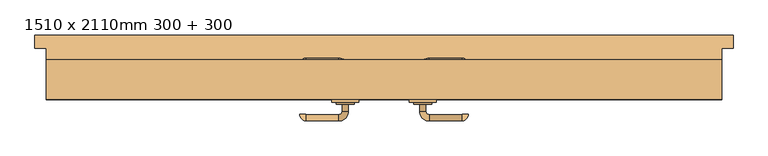
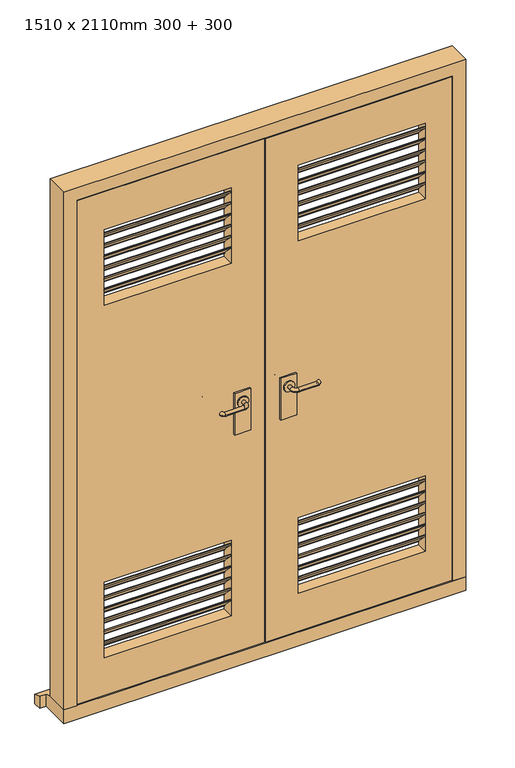
"""IFC4 building model written with IfcOpenShell, lengths in millimetres: door geometry, 1510 x 2110mm 300 + 300."""

from ifc_helpers import new_model, si_unit, point, frame, frame_2d, origin, place, context, project, spatial, polyline, circle_curve, ellipse_curve, trimmed, segment, composite_curve, outline, extrude, faceted_brep, source, transform, mapped, element, save
from ifc_brep_helpers import plane_surface, cylinder_surface, revolved_surface, advanced_brep


def door_1510_x_2110mm_300_300_bc1a640c(model_context):
    return source(origin(), model_context, "Body", "SolidModel", [
        extrude(outline(polyline([(-60.0, 1845.1), (-20.0, 1805.1), (-20.0, 1801.1), (-23.0, 1801.1), (-23.0, 1803.8573593), (-63.0, 1843.8573593), (-63.0, 1849.1), (-60.0, 1849.1), (-60.0, 1845.1)])), frame((126.5, 0.0, 0.0), z_axis=(1.0, 0.0, 0.0), x_axis=(0.0, 1.0, 0.0)), (0.0, 0.0, 1.0), 477.0),
        extrude(outline(polyline([(-60.0, 1845.1), (-20.0, 1805.1), (-20.0, 1801.1), (-23.0, 1801.1), (-23.0, 1803.8573593), (-63.0, 1843.8573593), (-63.0, 1849.1), (-60.0, 1849.1), (-60.0, 1845.1)])), frame((-603.5, 0.0, 0.0), z_axis=(1.0, 0.0, 0.0), x_axis=(0.0, 1.0, 0.0)), (0.0, 0.0, 1.0), 477.0),
        extrude(outline(composite_curve([segment(trimmed(circle_curve(frame_2d((1050.0, 86.5)), 20.0), [point((1050.0, 66.5))], [point((1050.0, 106.5))], False, "CARTESIAN"), True, "CONTINUOUS"), segment(trimmed(circle_curve(frame_2d((1050.0, 86.5)), 20.0), [point((1050.0, 106.5))], [point((1050.0, 66.5))], False, "CARTESIAN"), True, "CONTINUOUS")], self_intersect=False)), frame((0.0, -74.5929895, 0.0), z_axis=(0.0, 1.0, 0.0), x_axis=(0.0, 0.0, 1.0)), (0.0, 0.0, 1.0), 4.5929895),
        advanced_brep(
        [(93.5, -74.5929895, 1050.0), (79.5, -74.5929895, 1050.0), (79.5, -90.0, 1050.0), (93.5, -90.0, 1050.0), (101.5, -112.0, 1050.0), (101.5, -98.0, 1050.0), (173.5, -112.0, 1050.0), (173.5, -98.0, 1050.0), (174.5, -97.0, 1050.0), (188.5, -97.0, 1050.0)],
        [
            (0, 1, circle_curve(frame((86.5, -74.5929895, 1050.0), z_axis=(0.0, 1.0, 0.0), x_axis=(-1.0, 0.0, 0.0)), 7.0)),
            (1, 0, circle_curve(frame((86.5, -74.5929895, 1050.0), z_axis=(0.0, 1.0, 0.0), x_axis=(-1.0, 0.0, 0.0)), 7.0)),
            (1, 2),
            (2, 3, circle_curve(frame((86.5, -90.0, 1050.0), z_axis=(0.0, 1.0, 0.0), x_axis=(-1.0, 0.0, 0.0)), 7.0)),
            (3, 0),
            (3, 2, circle_curve(frame((86.5, -90.0, 1050.0), z_axis=(0.0, 1.0, 0.0), x_axis=(-1.0, 0.0, 0.0)), 7.0)),
            (4, 5, circle_curve(frame((101.5, -105.0, 1050.0), z_axis=(-1.0, 0.0, 0.0), x_axis=(0.0, -1.0, 0.0)), 7.0)),
            (5, 3, circle_curve(frame((101.5, -90.0, 1050.0), z_axis=(0.0, 0.0, -1.0), x_axis=(-1.0, 0.0, 0.0)), 8.0)),
            (2, 4, circle_curve(frame((101.5, -90.0, 1050.0), z_axis=(0.0, 0.0, 1.0), x_axis=(-1.0, 0.0, 0.0)), 22.0)),
            (5, 4, circle_curve(frame((101.5, -105.0, 1050.0), z_axis=(-1.0, 0.0, 0.0), x_axis=(0.0, -1.0, 0.0)), 7.0)),
            (4, 6),
            (6, 7, circle_curve(frame((173.5, -105.0, 1050.0), z_axis=(-1.0, 0.0, 0.0), x_axis=(0.0, -1.0, 0.0)), 7.0)),
            (7, 5),
            (7, 6, circle_curve(frame((173.5, -105.0, 1050.0), z_axis=(-1.0, 0.0, 0.0), x_axis=(0.0, -1.0, 0.0)), 7.0)),
            (8, 9, circle_curve(frame((181.5, -97.0, 1050.0), z_axis=(0.0, 1.0, 0.0), x_axis=(1.0, 0.0, 0.0)), 7.0)),
            (9, 8, circle_curve(frame((181.5, -97.0, 1050.0), z_axis=(0.0, 1.0, 0.0), x_axis=(1.0, 0.0, 0.0)), 7.0)),
            (8, 7, circle_curve(frame((173.5, -97.0, 1050.0), z_axis=(0.0, 0.0, -1.0), x_axis=(0.0, -1.0, 0.0)), 1.0)),
            (6, 9, circle_curve(frame((173.5, -97.0, 1050.0), z_axis=(0.0, 0.0, 1.0), x_axis=(0.0, -1.0, 0.0)), 15.0)),
        ],
        [
            plane_surface(frame((86.5, -74.5929895, 1050.0), z_axis=(0.0, 1.0, 0.0), x_axis=(0.0, 0.0, 1.0))),
            cylinder_surface(frame((86.5, -74.5929895, 1050.0), z_axis=(0.0, 1.0, 0.0), x_axis=(-1.0, 0.0, 0.0)), 7.0),
            revolved_surface(trimmed(ellipse_curve(frame((86.5, -90.0, 1050.0), z_axis=(0.0, -1.0, 0.0), x_axis=(-1.0, 0.0, 0.0)), 7.0, 7.0), [point((93.5, -90.0, 1050.0))], [point((79.5, -90.0, 1050.0))], True, "CARTESIAN"), (101.5, -90.0, 1050.0), (0.0, 0.0, -1.0)),
            revolved_surface(trimmed(ellipse_curve(frame((86.5, -90.0, 1050.0), z_axis=(0.0, -1.0, 0.0), x_axis=(-1.0, 0.0, 0.0)), 7.0, 7.0), [point((79.5, -90.0, 1050.0))], [point((93.5, -90.0, 1050.0))], True, "CARTESIAN"), (101.5, -90.0, 1050.0), (0.0, 0.0, -1.0)),
            cylinder_surface(frame((101.5, -105.0, 1050.0), z_axis=(-1.0, 0.0, 0.0), x_axis=(0.0, -1.0, 0.0)), 7.0),
            plane_surface(frame((181.5, -97.0, 1050.0), z_axis=(0.0, 1.0, 0.0), x_axis=(0.0, 0.0, 1.0))),
            revolved_surface(trimmed(ellipse_curve(frame((173.5, -105.0, 1050.0), z_axis=(1.0, 0.0, 0.0), x_axis=(0.0, -1.0, 0.0)), 7.0, 7.0), [point((173.5, -98.0, 1050.0))], [point((173.5, -112.0, 1050.0))], True, "CARTESIAN"), (173.5, -97.0, 1050.0), (0.0, 0.0, -1.0)),
            revolved_surface(trimmed(ellipse_curve(frame((173.5, -105.0, 1050.0), z_axis=(1.0, 0.0, 0.0), x_axis=(0.0, -1.0, 0.0)), 7.0, 7.0), [point((173.5, -112.0, 1050.0))], [point((173.5, -98.0, 1050.0))], True, "CARTESIAN"), (173.5, -97.0, 1050.0), (0.0, 0.0, -1.0)),
        ],
        [
            (0, [[1, 2]]),
            (1, [[3, 4, 5, -2]]),
            (1, [[-5, 6, -3, -1]]),
            (2, [[7, 8, -4, 9]]),
            (3, [[10, -9, -6, -8]]),
            (4, [[11, 12, 13, -7]]),
            (4, [[-13, 14, -11, -10]]),
            (5, [[15, 16]]),
            (6, [[-15, 17, -12, 18]]),
            (7, [[-16, -18, -14, -17]]),
        ],
    ),
        extrude(outline(polyline([(116.5, -64.0), (116.5, -70.0), (56.5, -70.0), (56.5, -64.0), (116.5, -64.0)])), frame((0.0, 0.0, 925.0), z_axis=(0.0, 0.0, 1.0), x_axis=(1.0, 0.0, 0.0)), (0.0, 0.0, 1.0), 165.0),
        extrude(outline(composite_curve([segment(trimmed(circle_curve(frame_2d((1050.0, -86.5)), 20.0), [point((1050.0, -66.5))], [point((1050.0, -106.5))], False, "CARTESIAN"), True, "CONTINUOUS"), segment(trimmed(circle_curve(frame_2d((1050.0, -86.5)), 20.0), [point((1050.0, -106.5))], [point((1050.0, -66.5))], False, "CARTESIAN"), True, "CONTINUOUS")], self_intersect=False)), frame((0.0, -74.5929895, 0.0), z_axis=(0.0, 1.0, 0.0), x_axis=(0.0, 0.0, 1.0)), (0.0, 0.0, 1.0), 4.5929895),
        advanced_brep(
        [(-93.5, -74.5929895, 1050.0), (-79.5, -74.5929895, 1050.0), (-93.5, -90.0, 1050.0), (-79.5, -90.0, 1050.0), (-101.5, -112.0, 1050.0), (-101.5, -98.0, 1050.0), (-173.5, -98.0, 1050.0), (-173.5, -112.0, 1050.0), (-174.5, -97.0, 1050.0), (-188.5, -97.0, 1050.0)],
        [
            (0, 1, circle_curve(frame((-86.5, -74.5929895, 1050.0), z_axis=(0.0, 1.0, 0.0), x_axis=(1.0, 0.0, 0.0)), 7.0)),
            (1, 0, circle_curve(frame((-86.5, -74.5929895, 1050.0), z_axis=(0.0, 1.0, 0.0), x_axis=(1.0, 0.0, 0.0)), 7.0)),
            (0, 2),
            (2, 3, circle_curve(frame((-86.5, -90.0, 1050.0), z_axis=(0.0, 1.0, 0.0), x_axis=(1.0, 0.0, 0.0)), 7.0)),
            (3, 1),
            (3, 2, circle_curve(frame((-86.5, -90.0, 1050.0), z_axis=(0.0, 1.0, 0.0), x_axis=(1.0, 0.0, 0.0)), 7.0)),
            (4, 3, circle_curve(frame((-101.5, -90.0, 1050.0), z_axis=(0.0, 0.0, 1.0), x_axis=(1.0, 0.0, 0.0)), 22.0)),
            (2, 5, circle_curve(frame((-101.5, -90.0, 1050.0), z_axis=(0.0, 0.0, -1.0), x_axis=(1.0, 0.0, 0.0)), 8.0)),
            (5, 4, circle_curve(frame((-101.5, -105.0, 1050.0), z_axis=(1.0, 0.0, 0.0), x_axis=(0.0, -1.0, 0.0)), 7.0)),
            (4, 5, circle_curve(frame((-101.5, -105.0, 1050.0), z_axis=(1.0, 0.0, 0.0), x_axis=(0.0, -1.0, 0.0)), 7.0)),
            (5, 6),
            (6, 7, circle_curve(frame((-173.5, -105.0, 1050.0), z_axis=(1.0, 0.0, 0.0), x_axis=(0.0, -1.0, 0.0)), 7.0)),
            (7, 4),
            (7, 6, circle_curve(frame((-173.5, -105.0, 1050.0), z_axis=(1.0, 0.0, 0.0), x_axis=(0.0, -1.0, 0.0)), 7.0)),
            (8, 9, circle_curve(frame((-181.5, -97.0, 1050.0), z_axis=(0.0, 1.0, 0.0), x_axis=(-1.0, 0.0, 0.0)), 7.0)),
            (9, 8, circle_curve(frame((-181.5, -97.0, 1050.0), z_axis=(0.0, 1.0, 0.0), x_axis=(-1.0, 0.0, 0.0)), 7.0)),
            (9, 7, circle_curve(frame((-173.5, -97.0, 1050.0), z_axis=(0.0, 0.0, 1.0), x_axis=(0.0, -1.0, 0.0)), 15.0)),
            (6, 8, circle_curve(frame((-173.5, -97.0, 1050.0), z_axis=(0.0, 0.0, -1.0), x_axis=(0.0, -1.0, 0.0)), 1.0)),
        ],
        [
            plane_surface(frame((-86.5, -74.5929895, 1050.0), z_axis=(0.0, 1.0, 0.0), x_axis=(0.0, 0.0, 1.0))),
            cylinder_surface(frame((-86.5, -74.5929895, 1050.0), z_axis=(0.0, 1.0, 0.0), x_axis=(1.0, 0.0, 0.0)), 7.0),
            revolved_surface(trimmed(ellipse_curve(frame((-86.5, -90.0, 1050.0), z_axis=(0.0, 1.0, 0.0), x_axis=(1.0, 0.0, 0.0)), 7.0, 7.0), [point((-93.5, -90.0, 1050.0))], [point((-79.5, -90.0, 1050.0))], True, "CARTESIAN"), (-101.5, -90.0, 1050.0), (0.0, 0.0, -1.0)),
            revolved_surface(trimmed(ellipse_curve(frame((-86.5, -90.0, 1050.0), z_axis=(0.0, 1.0, 0.0), x_axis=(1.0, 0.0, 0.0)), 7.0, 7.0), [point((-79.5, -90.0, 1050.0))], [point((-93.5, -90.0, 1050.0))], True, "CARTESIAN"), (-101.5, -90.0, 1050.0), (0.0, 0.0, -1.0)),
            cylinder_surface(frame((-101.5, -105.0, 1050.0), z_axis=(1.0, 0.0, 0.0), x_axis=(0.0, -1.0, 0.0)), 7.0),
            plane_surface(frame((-181.5, -97.0, 1050.0), z_axis=(0.0, 1.0, 0.0), x_axis=(0.0, 0.0, 1.0))),
            revolved_surface(trimmed(ellipse_curve(frame((-173.5, -105.0, 1050.0), z_axis=(1.0, 0.0, 0.0), x_axis=(0.0, -1.0, 0.0)), 7.0, 7.0), [point((-173.5, -98.0, 1050.0))], [point((-173.5, -112.0, 1050.0))], True, "CARTESIAN"), (-173.5, -97.0, 1050.0), (0.0, 0.0, -1.0)),
            revolved_surface(trimmed(ellipse_curve(frame((-173.5, -105.0, 1050.0), z_axis=(1.0, 0.0, 0.0), x_axis=(0.0, -1.0, 0.0)), 7.0, 7.0), [point((-173.5, -112.0, 1050.0))], [point((-173.5, -98.0, 1050.0))], True, "CARTESIAN"), (-173.5, -97.0, 1050.0), (0.0, 0.0, -1.0)),
        ],
        [
            (0, [[1, 2]]),
            (1, [[-1, 3, 4, 5]]),
            (1, [[-2, -5, 6, -3]]),
            (2, [[7, -4, 8, 9]]),
            (3, [[-8, -6, -7, 10]]),
            (4, [[-9, 11, 12, 13]]),
            (4, [[-10, -13, 14, -11]]),
            (5, [[15, 16]]),
            (6, [[17, -12, 18, -16]]),
            (7, [[-18, -14, -17, -15]]),
        ],
    ),
        extrude(outline(polyline([(-116.5, -64.0), (-56.5, -64.0), (-56.5, -70.0), (-116.5, -70.0), (-116.5, -64.0)])), frame((0.0, 0.0, 925.0), z_axis=(0.0, 0.0, 1.0), x_axis=(1.0, 0.0, 0.0)), (0.0, 0.0, 1.0), 165.0),
        extrude(outline(composite_curve([segment(trimmed(circle_curve(frame_2d((1050.0, -86.5)), 20.0), [point((1050.0, -66.5))], [point((1050.0, -106.5))], False, "CARTESIAN"), True, "CONTINUOUS"), segment(trimmed(circle_curve(frame_2d((1050.0, -86.5)), 20.0), [point((1050.0, -106.5))], [point((1050.0, -66.5))], False, "CARTESIAN"), True, "CONTINUOUS")], self_intersect=False)), frame((0.0, -14.0, 0.0), z_axis=(0.0, 1.0, 0.0), x_axis=(0.0, 0.0, 1.0)), (0.0, 0.0, 1.0), 4.5929895),
        advanced_brep(
        [(-93.5, -9.4070105, 1050.0), (-79.5, -9.4070105, 1050.0), (-79.5, 6.0, 1050.0), (-93.5, 6.0, 1050.0), (-101.5, 28.0, 1050.0), (-101.5, 14.0, 1050.0), (-173.5, 28.0, 1050.0), (-173.5, 14.0, 1050.0), (-174.5, 13.0, 1050.0), (-188.5, 13.0, 1050.0)],
        [
            (0, 1, circle_curve(frame((-86.5, -9.4070105, 1050.0), z_axis=(0.0, -1.0, 0.0), x_axis=(1.0, 0.0, 0.0)), 7.0)),
            (1, 0, circle_curve(frame((-86.5, -9.4070105, 1050.0), z_axis=(0.0, -1.0, 0.0), x_axis=(1.0, 0.0, 0.0)), 7.0)),
            (1, 2),
            (2, 3, circle_curve(frame((-86.5, 6.0, 1050.0), z_axis=(0.0, -1.0, 0.0), x_axis=(1.0, 0.0, 0.0)), 7.0)),
            (3, 0),
            (3, 2, circle_curve(frame((-86.5, 6.0, 1050.0), z_axis=(0.0, -1.0, 0.0), x_axis=(1.0, 0.0, 0.0)), 7.0)),
            (4, 5, circle_curve(frame((-101.5, 21.0, 1050.0), z_axis=(1.0, 0.0, 0.0), x_axis=(0.0, 1.0, 0.0)), 7.0)),
            (5, 3, circle_curve(frame((-101.5, 6.0, 1050.0), z_axis=(0.0, 0.0, -1.0), x_axis=(1.0, 0.0, 0.0)), 8.0)),
            (2, 4, circle_curve(frame((-101.5, 6.0, 1050.0), z_axis=(0.0, 0.0, 1.0), x_axis=(1.0, 0.0, 0.0)), 22.0)),
            (5, 4, circle_curve(frame((-101.5, 21.0, 1050.0), z_axis=(1.0, 0.0, 0.0), x_axis=(0.0, 1.0, 0.0)), 7.0)),
            (4, 6),
            (6, 7, circle_curve(frame((-173.5, 21.0, 1050.0), z_axis=(1.0, 0.0, 0.0), x_axis=(0.0, 1.0, 0.0)), 7.0)),
            (7, 5),
            (7, 6, circle_curve(frame((-173.5, 21.0, 1050.0), z_axis=(1.0, 0.0, 0.0), x_axis=(0.0, 1.0, 0.0)), 7.0)),
            (8, 9, circle_curve(frame((-181.5, 13.0, 1050.0), z_axis=(0.0, -1.0, 0.0), x_axis=(-1.0, 0.0, 0.0)), 7.0)),
            (9, 8, circle_curve(frame((-181.5, 13.0, 1050.0), z_axis=(0.0, -1.0, 0.0), x_axis=(-1.0, 0.0, 0.0)), 7.0)),
            (8, 7, circle_curve(frame((-173.5, 13.0, 1050.0), z_axis=(0.0, 0.0, -1.0), x_axis=(0.0, 1.0, 0.0)), 1.0)),
            (6, 9, circle_curve(frame((-173.5, 13.0, 1050.0), z_axis=(0.0, 0.0, 1.0), x_axis=(0.0, 1.0, 0.0)), 15.0)),
        ],
        [
            plane_surface(frame((-86.5, -9.4070105, 1050.0), z_axis=(0.0, -1.0, 0.0), x_axis=(0.0, 0.0, 1.0))),
            cylinder_surface(frame((-86.5, -9.4070105, 1050.0), z_axis=(0.0, -1.0, 0.0), x_axis=(1.0, 0.0, 0.0)), 7.0),
            revolved_surface(trimmed(ellipse_curve(frame((-86.5, 6.0, 1050.0), z_axis=(0.0, 1.0, 0.0), x_axis=(1.0, 0.0, 0.0)), 7.0, 7.0), [point((-93.5, 6.0, 1050.0))], [point((-79.5, 6.0, 1050.0))], True, "CARTESIAN"), (-101.5, 6.0, 1050.0), (0.0, 0.0, -1.0)),
            revolved_surface(trimmed(ellipse_curve(frame((-86.5, 6.0, 1050.0), z_axis=(0.0, 1.0, 0.0), x_axis=(1.0, 0.0, 0.0)), 7.0, 7.0), [point((-79.5, 6.0, 1050.0))], [point((-93.5, 6.0, 1050.0))], True, "CARTESIAN"), (-101.5, 6.0, 1050.0), (0.0, 0.0, -1.0)),
            cylinder_surface(frame((-101.5, 21.0, 1050.0), z_axis=(1.0, 0.0, 0.0), x_axis=(0.0, 1.0, 0.0)), 7.0),
            plane_surface(frame((-181.5, 13.0, 1050.0), z_axis=(0.0, -1.0, 0.0), x_axis=(0.0, 0.0, 1.0))),
            revolved_surface(trimmed(ellipse_curve(frame((-173.5, 21.0, 1050.0), z_axis=(-1.0, 0.0, 0.0), x_axis=(0.0, 1.0, 0.0)), 7.0, 7.0), [point((-173.5, 14.0, 1050.0))], [point((-173.5, 28.0, 1050.0))], True, "CARTESIAN"), (-173.5, 13.0, 1050.0), (0.0, 0.0, -1.0)),
            revolved_surface(trimmed(ellipse_curve(frame((-173.5, 21.0, 1050.0), z_axis=(-1.0, 0.0, 0.0), x_axis=(0.0, 1.0, 0.0)), 7.0, 7.0), [point((-173.5, 28.0, 1050.0))], [point((-173.5, 14.0, 1050.0))], True, "CARTESIAN"), (-173.5, 13.0, 1050.0), (0.0, 0.0, -1.0)),
        ],
        [
            (0, [[1, 2]]),
            (1, [[3, 4, 5, -2]]),
            (1, [[-5, 6, -3, -1]]),
            (2, [[7, 8, -4, 9]]),
            (3, [[10, -9, -6, -8]]),
            (4, [[11, 12, 13, -7]]),
            (4, [[-13, 14, -11, -10]]),
            (5, [[15, 16]]),
            (6, [[-15, 17, -12, 18]]),
            (7, [[-16, -18, -14, -17]]),
        ],
    ),
        extrude(outline(polyline([(-116.5, -20.0), (-116.5, -14.0), (-56.5, -14.0), (-56.5, -20.0), (-116.5, -20.0)])), frame((0.0, 0.0, 925.0), z_axis=(0.0, 0.0, 1.0), x_axis=(1.0, 0.0, 0.0)), (0.0, 0.0, 1.0), 165.0),
        extrude(outline(composite_curve([segment(trimmed(circle_curve(frame_2d((1050.0, 86.5)), 20.0), [point((1050.0, 66.5))], [point((1050.0, 106.5))], False, "CARTESIAN"), True, "CONTINUOUS"), segment(trimmed(circle_curve(frame_2d((1050.0, 86.5)), 20.0), [point((1050.0, 106.5))], [point((1050.0, 66.5))], False, "CARTESIAN"), True, "CONTINUOUS")], self_intersect=False)), frame((0.0, -14.0, 0.0), z_axis=(0.0, 1.0, 0.0), x_axis=(0.0, 0.0, 1.0)), (0.0, 0.0, 1.0), 4.5929895),
        advanced_brep(
        [(93.5, -9.4070105, 1050.0), (79.5, -9.4070105, 1050.0), (93.5, 6.0, 1050.0), (79.5, 6.0, 1050.0), (101.5, 28.0, 1050.0), (101.5, 14.0, 1050.0), (173.5, 14.0, 1050.0), (173.5, 28.0, 1050.0), (174.5, 13.0, 1050.0), (188.5, 13.0, 1050.0)],
        [
            (0, 1, circle_curve(frame((86.5, -9.4070105, 1050.0), z_axis=(0.0, -1.0, 0.0), x_axis=(-1.0, 0.0, 0.0)), 7.0)),
            (1, 0, circle_curve(frame((86.5, -9.4070105, 1050.0), z_axis=(0.0, -1.0, 0.0), x_axis=(-1.0, 0.0, 0.0)), 7.0)),
            (0, 2),
            (2, 3, circle_curve(frame((86.5, 6.0, 1050.0), z_axis=(0.0, -1.0, 0.0), x_axis=(-1.0, 0.0, 0.0)), 7.0)),
            (3, 1),
            (3, 2, circle_curve(frame((86.5, 6.0, 1050.0), z_axis=(0.0, -1.0, 0.0), x_axis=(-1.0, 0.0, 0.0)), 7.0)),
            (4, 3, circle_curve(frame((101.5, 6.0, 1050.0), z_axis=(0.0, 0.0, 1.0), x_axis=(-1.0, 0.0, 0.0)), 22.0)),
            (2, 5, circle_curve(frame((101.5, 6.0, 1050.0), z_axis=(0.0, 0.0, -1.0), x_axis=(-1.0, 0.0, 0.0)), 8.0)),
            (5, 4, circle_curve(frame((101.5, 21.0, 1050.0), z_axis=(-1.0, 0.0, 0.0), x_axis=(0.0, 1.0, 0.0)), 7.0)),
            (4, 5, circle_curve(frame((101.5, 21.0, 1050.0), z_axis=(-1.0, 0.0, 0.0), x_axis=(0.0, 1.0, 0.0)), 7.0)),
            (5, 6),
            (6, 7, circle_curve(frame((173.5, 21.0, 1050.0), z_axis=(-1.0, 0.0, 0.0), x_axis=(0.0, 1.0, 0.0)), 7.0)),
            (7, 4),
            (7, 6, circle_curve(frame((173.5, 21.0, 1050.0), z_axis=(-1.0, 0.0, 0.0), x_axis=(0.0, 1.0, 0.0)), 7.0)),
            (8, 9, circle_curve(frame((181.5, 13.0, 1050.0), z_axis=(0.0, -1.0, 0.0), x_axis=(1.0, 0.0, 0.0)), 7.0)),
            (9, 8, circle_curve(frame((181.5, 13.0, 1050.0), z_axis=(0.0, -1.0, 0.0), x_axis=(1.0, 0.0, 0.0)), 7.0)),
            (9, 7, circle_curve(frame((173.5, 13.0, 1050.0), z_axis=(0.0, 0.0, 1.0), x_axis=(0.0, 1.0, 0.0)), 15.0)),
            (6, 8, circle_curve(frame((173.5, 13.0, 1050.0), z_axis=(0.0, 0.0, -1.0), x_axis=(0.0, 1.0, 0.0)), 1.0)),
        ],
        [
            plane_surface(frame((86.5, -9.4070105, 1050.0), z_axis=(0.0, -1.0, 0.0), x_axis=(0.0, 0.0, 1.0))),
            cylinder_surface(frame((86.5, -9.4070105, 1050.0), z_axis=(0.0, -1.0, 0.0), x_axis=(-1.0, 0.0, 0.0)), 7.0),
            revolved_surface(trimmed(ellipse_curve(frame((86.5, 6.0, 1050.0), z_axis=(0.0, -1.0, 0.0), x_axis=(-1.0, 0.0, 0.0)), 7.0, 7.0), [point((93.5, 6.0, 1050.0))], [point((79.5, 6.0, 1050.0))], True, "CARTESIAN"), (101.5, 6.0, 1050.0), (0.0, 0.0, -1.0)),
            revolved_surface(trimmed(ellipse_curve(frame((86.5, 6.0, 1050.0), z_axis=(0.0, -1.0, 0.0), x_axis=(-1.0, 0.0, 0.0)), 7.0, 7.0), [point((79.5, 6.0, 1050.0))], [point((93.5, 6.0, 1050.0))], True, "CARTESIAN"), (101.5, 6.0, 1050.0), (0.0, 0.0, -1.0)),
            cylinder_surface(frame((101.5, 21.0, 1050.0), z_axis=(-1.0, 0.0, 0.0), x_axis=(0.0, 1.0, 0.0)), 7.0),
            plane_surface(frame((181.5, 13.0, 1050.0), z_axis=(0.0, -1.0, 0.0), x_axis=(0.0, 0.0, 1.0))),
            revolved_surface(trimmed(ellipse_curve(frame((173.5, 21.0, 1050.0), z_axis=(-1.0, 0.0, 0.0), x_axis=(0.0, 1.0, 0.0)), 7.0, 7.0), [point((173.5, 14.0, 1050.0))], [point((173.5, 28.0, 1050.0))], True, "CARTESIAN"), (173.5, 13.0, 1050.0), (0.0, 0.0, -1.0)),
            revolved_surface(trimmed(ellipse_curve(frame((173.5, 21.0, 1050.0), z_axis=(-1.0, 0.0, 0.0), x_axis=(0.0, 1.0, 0.0)), 7.0, 7.0), [point((173.5, 28.0, 1050.0))], [point((173.5, 14.0, 1050.0))], True, "CARTESIAN"), (173.5, 13.0, 1050.0), (0.0, 0.0, -1.0)),
        ],
        [
            (0, [[1, 2]]),
            (1, [[-1, 3, 4, 5]]),
            (1, [[-2, -5, 6, -3]]),
            (2, [[7, -4, 8, 9]]),
            (3, [[-8, -6, -7, 10]]),
            (4, [[-9, 11, 12, 13]]),
            (4, [[-10, -13, 14, -11]]),
            (5, [[15, 16]]),
            (6, [[17, -12, 18, -16]]),
            (7, [[-18, -14, -17, -15]]),
        ],
    ),
        extrude(outline(polyline([(116.5, -20.0), (56.5, -20.0), (56.5, -14.0), (116.5, -14.0), (116.5, -20.0)])), frame((0.0, 0.0, 925.0), z_axis=(0.0, 0.0, 1.0), x_axis=(1.0, 0.0, 0.0)), (0.0, 0.0, 1.0), 165.0),
        extrude(outline(polyline([(-60.0, 1800.7), (-20.0, 1760.7), (-20.0, 1756.7), (-23.0, 1756.7), (-23.0, 1759.4573593), (-63.0, 1799.4573593), (-63.0, 1804.7), (-60.0, 1804.7), (-60.0, 1800.7)])), frame((126.5, 0.0, 0.0), z_axis=(1.0, 0.0, 0.0), x_axis=(0.0, 1.0, 0.0)), (0.0, 0.0, 1.0), 477.0),
        extrude(outline(polyline([(-60.0, 1756.3), (-20.0, 1716.3), (-20.0, 1712.3), (-23.0, 1712.3), (-23.0, 1715.0573593), (-63.0, 1755.0573593), (-63.0, 1760.3), (-60.0, 1760.3), (-60.0, 1756.3)])), frame((126.5, 0.0, 0.0), z_axis=(1.0, 0.0, 0.0), x_axis=(0.0, 1.0, 0.0)), (0.0, 0.0, 1.0), 477.0),
        extrude(outline(polyline([(-60.0, 1711.9), (-20.0, 1671.9), (-20.0, 1667.9), (-23.0, 1667.9), (-23.0, 1670.6573593), (-63.0, 1710.6573593), (-63.0, 1715.9), (-60.0, 1715.9), (-60.0, 1711.9)])), frame((126.5, 0.0, 0.0), z_axis=(1.0, 0.0, 0.0), x_axis=(0.0, 1.0, 0.0)), (0.0, 0.0, 1.0), 477.0),
        extrude(outline(polyline([(-60.0, 445.1), (-20.0, 405.1), (-20.0, 401.1), (-23.0, 401.1), (-23.0, 403.8573593), (-63.0, 443.8573593), (-63.0, 449.1), (-60.0, 449.1), (-60.0, 445.1)])), frame((126.5, 0.0, 0.0), z_axis=(1.0, 0.0, 0.0), x_axis=(0.0, 1.0, 0.0)), (0.0, 0.0, 1.0), 477.0),
        extrude(outline(polyline([(-60.0, 400.7), (-20.0, 360.7), (-20.0, 356.7), (-23.0, 356.7), (-23.0, 359.4573593), (-63.0, 399.4573593), (-63.0, 404.7), (-60.0, 404.7), (-60.0, 400.7)])), frame((126.5, 0.0, 0.0), z_axis=(1.0, 0.0, 0.0), x_axis=(0.0, 1.0, 0.0)), (0.0, 0.0, 1.0), 477.0),
        extrude(outline(polyline([(-60.0, 356.3), (-20.0, 316.3), (-20.0, 312.3), (-23.0, 312.3), (-23.0, 315.0573593), (-63.0, 355.0573593), (-63.0, 360.3), (-60.0, 360.3), (-60.0, 356.3)])), frame((126.5, 0.0, 0.0), z_axis=(1.0, 0.0, 0.0), x_axis=(0.0, 1.0, 0.0)), (0.0, 0.0, 1.0), 477.0),
        extrude(outline(polyline([(-60.0, 311.9), (-20.0, 271.9), (-20.0, 267.9), (-23.0, 267.9), (-23.0, 270.6573593), (-63.0, 310.6573593), (-63.0, 315.9), (-60.0, 315.9), (-60.0, 311.9)])), frame((126.5, 0.0, 0.0), z_axis=(1.0, 0.0, 0.0), x_axis=(0.0, 1.0, 0.0)), (0.0, 0.0, 1.0), 477.0),
        extrude(outline(polyline([(-60.0, 1800.7), (-20.0, 1760.7), (-20.0, 1756.7), (-23.0, 1756.7), (-23.0, 1759.4573593), (-63.0, 1799.4573593), (-63.0, 1804.7), (-60.0, 1804.7), (-60.0, 1800.7)])), frame((-603.5, 0.0, 0.0), z_axis=(1.0, 0.0, 0.0), x_axis=(0.0, 1.0, 0.0)), (0.0, 0.0, 1.0), 477.0),
        extrude(outline(polyline([(-60.0, 1756.3), (-20.0, 1716.3), (-20.0, 1712.3), (-23.0, 1712.3), (-23.0, 1715.0573593), (-63.0, 1755.0573593), (-63.0, 1760.3), (-60.0, 1760.3), (-60.0, 1756.3)])), frame((-603.5, 0.0, 0.0), z_axis=(1.0, 0.0, 0.0), x_axis=(0.0, 1.0, 0.0)), (0.0, 0.0, 1.0), 477.0),
        extrude(outline(polyline([(-60.0, 1711.9), (-20.0, 1671.9), (-20.0, 1667.9), (-23.0, 1667.9), (-23.0, 1670.6573593), (-63.0, 1710.6573593), (-63.0, 1715.9), (-60.0, 1715.9), (-60.0, 1711.9)])), frame((-603.5, 0.0, 0.0), z_axis=(1.0, 0.0, 0.0), x_axis=(0.0, 1.0, 0.0)), (0.0, 0.0, 1.0), 477.0),
        extrude(outline(polyline([(-60.0, 445.1), (-20.0, 405.1), (-20.0, 401.1), (-23.0, 401.1), (-23.0, 403.8573593), (-63.0, 443.8573593), (-63.0, 449.1), (-60.0, 449.1), (-60.0, 445.1)])), frame((-603.5, 0.0, 0.0), z_axis=(1.0, 0.0, 0.0), x_axis=(0.0, 1.0, 0.0)), (0.0, 0.0, 1.0), 477.0),
        extrude(outline(polyline([(-60.0, 400.7), (-20.0, 360.7), (-20.0, 356.7), (-23.0, 356.7), (-23.0, 359.4573593), (-63.0, 399.4573593), (-63.0, 404.7), (-60.0, 404.7), (-60.0, 400.7)])), frame((-603.5, 0.0, 0.0), z_axis=(1.0, 0.0, 0.0), x_axis=(0.0, 1.0, 0.0)), (0.0, 0.0, 1.0), 477.0),
        extrude(outline(polyline([(-60.0, 356.3), (-20.0, 316.3), (-20.0, 312.3), (-23.0, 312.3), (-23.0, 315.0573593), (-63.0, 355.0573593), (-63.0, 360.3), (-60.0, 360.3), (-60.0, 356.3)])), frame((-603.5, 0.0, 0.0), z_axis=(1.0, 0.0, 0.0), x_axis=(0.0, 1.0, 0.0)), (0.0, 0.0, 1.0), 477.0),
        extrude(outline(polyline([(-60.0, 311.9), (-20.0, 271.9), (-20.0, 267.9), (-23.0, 267.9), (-23.0, 270.6573593), (-63.0, 310.6573593), (-63.0, 315.9), (-60.0, 315.9), (-60.0, 311.9)])), frame((-603.5, 0.0, 0.0), z_axis=(1.0, 0.0, 0.0), x_axis=(0.0, 1.0, 0.0)), (0.0, 0.0, 1.0), 477.0),
        extrude(outline(polyline([(-60.0, 1889.5), (-20.0, 1849.5), (-20.0, 1845.5), (-23.0, 1845.5), (-23.0, 1848.2573593), (-63.0, 1888.2573593), (-63.0, 1893.5), (-60.0, 1893.5), (-60.0, 1889.5)])), frame((126.5, 0.0, 0.0), z_axis=(1.0, 0.0, 0.0), x_axis=(0.0, 1.0, 0.0)), (0.0, 0.0, 1.0), 477.0),
        extrude(outline(polyline([(-60.0, 489.5), (-20.0, 449.5), (-20.0, 445.5), (-23.0, 445.5), (-23.0, 448.2573593), (-63.0, 488.2573593), (-63.0, 493.5), (-60.0, 493.5), (-60.0, 489.5)])), frame((126.5, 0.0, 0.0), z_axis=(1.0, 0.0, 0.0), x_axis=(0.0, 1.0, 0.0)), (0.0, 0.0, 1.0), 477.0),
        extrude(outline(polyline([(-60.0, 1667.5), (-20.0, 1627.5), (-20.0, 1623.5), (-23.0, 1623.5), (-23.0, 1626.2573593), (-63.0, 1666.2573593), (-63.0, 1671.5), (-60.0, 1671.5), (-60.0, 1667.5)])), frame((126.5, 0.0, 0.0), z_axis=(1.0, 0.0, 0.0), x_axis=(0.0, 1.0, 0.0)), (0.0, 0.0, 1.0), 477.0),
        extrude(outline(polyline([(-60.0, 267.5), (-20.0, 227.5), (-20.0, 223.5), (-23.0, 223.5), (-23.0, 226.2573593), (-63.0, 266.2573593), (-63.0, 271.5), (-60.0, 271.5), (-60.0, 267.5)])), frame((126.5, 0.0, 0.0), z_axis=(1.0, 0.0, 0.0), x_axis=(0.0, 1.0, 0.0)), (0.0, 0.0, 1.0), 477.0),
        extrude(outline(polyline([(-60.0, 1889.5), (-20.0, 1849.5), (-20.0, 1845.5), (-23.0, 1845.5), (-23.0, 1848.2573593), (-63.0, 1888.2573593), (-63.0, 1893.5), (-60.0, 1893.5), (-60.0, 1889.5)])), frame((-603.5, 0.0, 0.0), z_axis=(1.0, 0.0, 0.0), x_axis=(0.0, 1.0, 0.0)), (0.0, 0.0, 1.0), 477.0),
        extrude(outline(polyline([(-60.0, 1667.5), (-20.0, 1627.5), (-20.0, 1623.5), (-23.0, 1623.5), (-23.0, 1626.2573593), (-63.0, 1666.2573593), (-63.0, 1671.5), (-60.0, 1671.5), (-60.0, 1667.5)])), frame((-603.5, 0.0, 0.0), z_axis=(1.0, 0.0, 0.0), x_axis=(0.0, 1.0, 0.0)), (0.0, 0.0, 1.0), 477.0),
        extrude(outline(polyline([(-60.0, 489.5), (-20.0, 449.5), (-20.0, 445.5), (-23.0, 445.5), (-23.0, 448.2573593), (-63.0, 488.2573593), (-63.0, 493.5), (-60.0, 493.5), (-60.0, 489.5)])), frame((-603.5, 0.0, 0.0), z_axis=(1.0, 0.0, 0.0), x_axis=(0.0, 1.0, 0.0)), (0.0, 0.0, 1.0), 477.0),
        extrude(outline(polyline([(-60.0, 267.5), (-20.0, 227.5), (-20.0, 223.5), (-23.0, 223.5), (-23.0, 226.2573593), (-63.0, 266.2573593), (-63.0, 271.5), (-60.0, 271.5), (-60.0, 267.5)])), frame((-603.5, 0.0, 0.0), z_axis=(1.0, 0.0, 0.0), x_axis=(0.0, 1.0, 0.0)), (0.0, 0.0, 1.0), 477.0),
        faceted_brep([(684.5, 25.0, 54.5), (755.0, 25.0, 54.5), (755.0, -64.0, 54.5), (706.5, -64.0, 54.5), (706.5, -17.0, 54.5), (684.5, -17.0, 54.5), (684.5, 25.0, 2039.5), (-684.5, 25.0, 2039.5), (-684.5, 25.0, 54.5), (-755.0, 25.0, 54.5), (-755.0, 25.0, 2110.0), (755.0, 25.0, 2110.0), (755.0, -64.0, 2110.0), (-755.0, -64.0, 2110.0), (-755.0, -64.0, 54.5), (-706.5, -64.0, 54.5), (-706.5, -64.0, 2061.5), (706.5, -64.0, 2061.5), (706.5, -17.0, 2061.5), (-706.5, -17.0, 2061.5), (-706.5, -17.0, 54.5), (-684.5, -17.0, 54.5), (-684.5, -17.0, 2039.5), (684.5, -17.0, 2039.5)], [[[0, 1, 2, 3, 4, 5]], [[1, 0, 6, 7, 8, 9, 10, 11]], [[2, 1, 11, 12]], [[3, 2, 12, 13, 14, 15, 16, 17]], [[4, 3, 17, 18]], [[5, 4, 18, 19, 20, 21, 22, 23]], [[0, 5, 23, 6]], [[7, 22, 21, 8]], [[8, 21, 20, 15, 14, 9]], [[13, 10, 9, 14]], [[19, 16, 15, 20]], [[12, 11, 10, 13]], [[18, 17, 16, 19]], [[6, 23, 22, 7]]]),
        faceted_brep([(780.0, 80.0, 0.0), (780.0, 80.0, 38.5947221), (780.0, 50.0, 47.2703282), (780.0, 50.0, 0.0), (-780.0, 80.0, 38.5947221), (-780.0, 80.0, 0.0), (-780.0, 50.0, 0.0), (-780.0, 50.0, 47.2703282), (755.0, 50.0, 0.0), (755.0, -64.0, 0.0), (-755.0, -64.0, 0.0), (-755.0, 50.0, 0.0), (-755.0, 50.0, 47.2703282), (-755.0, 25.0, 54.5), (755.0, 25.0, 54.5), (755.0, 50.0, 47.2703282), (-755.0, -64.0, 54.5), (755.0, -64.0, 54.5)], [[[0, 1, 2, 3]], [[4, 5, 6, 7]], [[5, 0, 3, 8, 9, 10, 11, 6]], [[1, 0, 5, 4]], [[1, 4, 7, 12, 13, 14, 15, 2]], [[13, 16, 17, 14]], [[16, 10, 9, 17]], [[12, 11, 10, 16, 13]], [[11, 12, 7, 6]], [[8, 15, 14, 17, 9]], [[15, 8, 3, 2]]]),
        extrude(outline(polyline([(58.5, 703.5), (2058.5, 703.5), (2058.5, 1.5), (58.5, 1.5), (58.5, 703.5)]), holes=[polyline([(1908.5, 603.5), (1608.5, 603.5), (1608.5, 126.5), (1908.5, 126.5), (1908.5, 603.5)]), polyline([(508.5, 126.5), (508.5, 603.5), (208.5, 603.5), (208.5, 126.5), (508.5, 126.5)])]), frame((0.0, -64.0, 0.0), z_axis=(0.0, 1.0, 0.0), x_axis=(0.0, 0.0, 1.0)), (0.0, 0.0, 1.0), 44.0),
        extrude(outline(polyline([(58.5, -703.5), (58.5, -1.5), (2058.5, -1.5), (2058.5, -703.5), (58.5, -703.5)]), holes=[polyline([(1908.5, -126.5), (1608.5, -126.5), (1608.5, -603.5), (1908.5, -603.5), (1908.5, -126.5)]), polyline([(508.5, -603.5), (508.5, -126.5), (208.5, -126.5), (208.5, -603.5), (508.5, -603.5)])]), frame((0.0, -64.0, 0.0), z_axis=(0.0, 1.0, 0.0), x_axis=(0.0, 0.0, 1.0)), (0.0, 0.0, 1.0), 44.0),
    ])


if __name__ == "__main__":
    model = new_model("IFC4")
    model_context = context("Model", 3, world=origin())
    ifc_project = project(units=[si_unit("LENGTHUNIT", "METRE", prefix="MILLI")], contexts=[model_context])
    site = spatial("IfcSite", under=ifc_project)
    building = spatial("IfcBuilding", under=site)
    placement = place(None, origin())
    door_1510_x_2110mm_300_300_shape = door_1510_x_2110mm_300_300_bc1a640c(model_context)
    element("IfcDoor", 1, ObjectType="1510 x 2110mm 300 + 300", at=placement, inside=building, context=model_context, shape_type="MappedRepresentation", body=[
        mapped(door_1510_x_2110mm_300_300_shape, transform((0.0, 0.0, 0.0), x_axis=(1.0, 0.0, 0.0), y_axis=(0.0, 1.0, 0.0), z_axis=(0.0, 0.0, 1.0))),
    ])
    save(model, "model.ifc")
